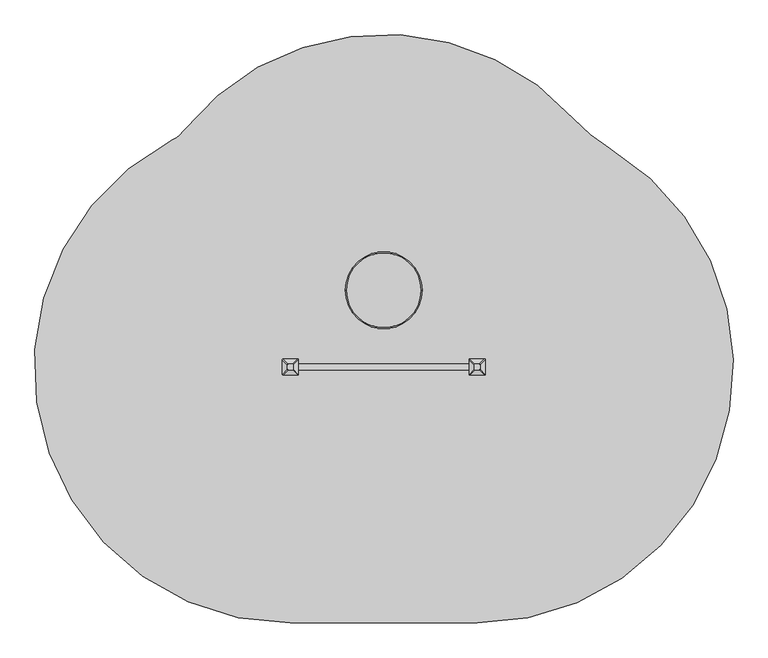
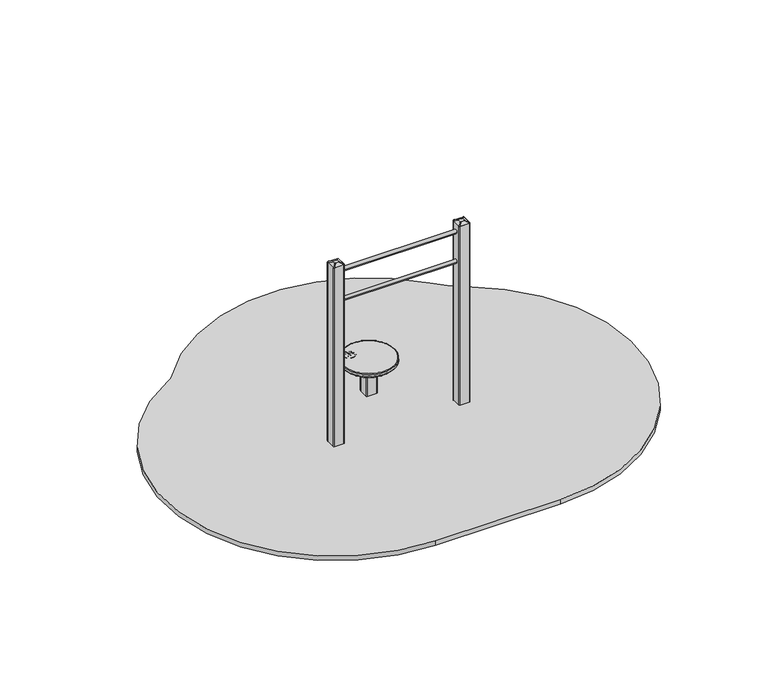
"""IFC4 building model written with IfcOpenShell, lengths in millimetres: furniture geometry."""

from ifc_helpers import new_model, si_unit, point, frame, frame_2d, origin, place, context, project, spatial, polyline, circle_curve, ellipse_curve, trimmed, segment, composite_curve, outline, extrude, source, transform, mapped, element, save
from ifc_brep_helpers import plane_surface, cylinder_surface, revolved_surface, extruded_surface, advanced_brep


def furniture_5f6d707c(model_context):
    return source(origin(), model_context, "Body", "SolidModel", [
        advanced_brep(
        [(-225.0, 655.0, 315.0838662), (225.0, 655.0, 315.0838662), (225.0, 655.0, 295.0838662), (-225.0, 655.0, 295.0838662), (-220.0, 655.0, 320.0838662), (220.0, 655.0, 320.0838662), (220.0, 655.0, 290.0838662), (-220.0, 655.0, 290.0838662)],
        [
            (0, 1, circle_curve(frame((0.0, 655.0, 315.0838662), z_axis=(0.0, 0.0, -1.0), x_axis=(1.0, 0.0, 0.0)), 225.0)),
            (1, 2),
            (2, 3, circle_curve(frame((0.0, 655.0, 295.0838662), z_axis=(0.0, 0.0, 1.0), x_axis=(1.0, 0.0, 0.0)), 225.0)),
            (3, 0),
            (1, 0, circle_curve(frame((0.0, 655.0, 315.0838662), z_axis=(0.0, 0.0, -1.0), x_axis=(1.0, 0.0, 0.0)), 225.0)),
            (3, 2, circle_curve(frame((0.0, 655.0, 295.0838662), z_axis=(0.0, 0.0, 1.0), x_axis=(1.0, 0.0, 0.0)), 225.0)),
            (0, 4, circle_curve(frame((-220.0, 655.0, 315.0838662), z_axis=(0.0, 1.0, 0.0), x_axis=(1.0, 0.0, 0.0)), 5.0)),
            (4, 5, circle_curve(frame((0.0, 655.0, 320.0838662), z_axis=(0.0, 0.0, -1.0), x_axis=(1.0, 0.0, 0.0)), 220.0)),
            (5, 1, circle_curve(frame((220.0, 655.0, 315.0838662), z_axis=(0.0, 1.0, 0.0), x_axis=(-1.0, 0.0, 0.0)), 5.0)),
            (5, 4, circle_curve(frame((0.0, 655.0, 320.0838662), z_axis=(0.0, 0.0, -1.0), x_axis=(1.0, 0.0, 0.0)), 220.0)),
            (2, 6, circle_curve(frame((220.0, 655.0, 295.0838662), z_axis=(0.0, 1.0, 0.0), x_axis=(-1.0, 0.0, 0.0)), 5.0)),
            (6, 7, circle_curve(frame((0.0, 655.0, 290.0838662), z_axis=(0.0, 0.0, 1.0), x_axis=(1.0, 0.0, 0.0)), 220.0)),
            (7, 3, circle_curve(frame((-220.0, 655.0, 295.0838662), z_axis=(0.0, 1.0, 0.0), x_axis=(1.0, 0.0, 0.0)), 5.0)),
            (7, 6, circle_curve(frame((0.0, 655.0, 290.0838662), z_axis=(0.0, 0.0, 1.0), x_axis=(1.0, 0.0, 0.0)), 220.0)),
        ],
        [
            cylinder_surface(frame((0.0, 655.0, 56.2727241), z_axis=(0.0, 0.0, 1.0), x_axis=(1.0, 0.0, 0.0)), 225.0),
            revolved_surface(trimmed(ellipse_curve(frame((220.0, 655.0, 315.0838662), z_axis=(0.0, -1.0, 0.0), x_axis=(-1.0, 0.0, 0.0)), 5.0, 5.0), [point((225.0, 655.0, 315.0838662))], [point((220.0, 655.0, 320.0838662))], True, "CARTESIAN"), (0.0, 655.0, 56.2727241), (0.0, 0.0, 1.0)),
            revolved_surface(trimmed(ellipse_curve(frame((220.0, 655.0, 295.0838662), z_axis=(0.0, -1.0, 0.0), x_axis=(-1.0, 0.0, 0.0)), 5.0, 5.0), [point((220.0, 655.0, 290.0838662))], [point((225.0, 655.0, 295.0838662))], True, "CARTESIAN"), (0.0, 655.0, 56.2727241), (0.0, 0.0, 1.0)),
            plane_surface(frame((220.0, 655.0, 320.0838662), z_axis=(0.0, 0.0, 1.0), x_axis=(0.0, 1.0, 0.0))),
            plane_surface(frame((220.0, 655.0, 290.0838662), z_axis=(0.0, 0.0, -1.0), x_axis=(0.0, -1.0, 0.0))),
        ],
        [
            (0, [[1, 2, 3, 4]]),
            (0, [[-2, 5, -4, 6]]),
            (1, [[-1, 7, 8, 9]]),
            (1, [[-5, -9, 10, -7]]),
            (2, [[-3, 11, 12, 13]]),
            (2, [[-6, -13, 14, -11]]),
            (3, [[-8, -10]]),
            (4, [[-12, -14]]),
        ],
    ),
        extrude(outline(composite_curve([segment(trimmed(circle_curve(frame_2d((-109.945789, 765.9640076)), 57.5047727), [point((-167.4505617, 765.9640076))], [point((-52.4410163, 765.9640076))], False, "CARTESIAN"), True, "CONTINUOUS"), segment(trimmed(circle_curve(frame_2d((-109.945789, 765.9640076)), 57.5047727), [point((-52.4410163, 765.9640076))], [point((-167.4505617, 765.9640076))], False, "CARTESIAN"), True, "CONTINUOUS")], self_intersect=False), holes=[composite_curve([segment(trimmed(circle_curve(frame_2d((-128.3138267, 780.3419659)), 0.4540453), [point((-127.9437797, 780.6050673))], [point((-128.3138267, 779.8879206))], False, "CARTESIAN"), True, "CONTINUOUS"), segment(polyline([(-128.3138267, 779.8879206), (-144.7091929, 779.8879206)]), True, "CONTINUOUS"), segment(trimmed(circle_curve(frame_2d((-144.7091929, 775.1179024)), 4.7700182), [point((-144.7091929, 779.8879206))], [point((-144.7091929, 770.3478842))], True, "CARTESIAN"), True, "CONTINUOUS"), segment(polyline([(-144.7091929, 770.3478842), (-135.5327662, 770.3478842)]), True, "CONTINUOUS"), segment(trimmed(circle_curve(frame_2d((-135.5327662, 766.6555765)), 3.6923077), [point((-135.5327662, 770.3478842))], [point((-132.0631319, 765.3927329))], False, "CARTESIAN"), True, "CONTINUOUS"), segment(polyline([(-132.0631319, 765.3927329), (-139.1805561, 745.8377707)]), True, "CONTINUOUS"), segment(trimmed(circle_curve(frame_2d((-133.5869898, 746.2870818)), 5.611583), [point((-139.1805561, 745.8377707))], [point((-128.3138267, 744.3678074))], True, "CARTESIAN"), True, "CONTINUOUS"), segment(polyline([(-128.3138267, 744.3678074), (-125.0241589, 753.4060953)]), True, "CONTINUOUS"), segment(trimmed(circle_curve(frame_2d((-122.7753651, 752.5876013)), 2.3931164), [point((-125.0241589, 753.4060953))], [point((-120.5265713, 753.4060953))], False, "CARTESIAN"), True, "CONTINUOUS"), segment(polyline([(-120.5265713, 753.4060953), (-117.2369036, 744.3678074)]), True, "CONTINUOUS"), segment(trimmed(circle_curve(frame_2d((-111.9637405, 746.2870818)), 5.611583), [point((-117.2369036, 744.3678074))], [point((-106.3701742, 745.8377707))], True, "CARTESIAN"), True, "CONTINUOUS"), segment(polyline([(-106.3701742, 745.8377707), (-113.4875984, 765.3927329)]), True, "CONTINUOUS"), segment(trimmed(circle_curve(frame_2d((-110.0179641, 766.6555765)), 3.6923077), [point((-113.4875984, 765.3927329))], [point((-110.0179641, 770.3478842))], False, "CARTESIAN"), True, "CONTINUOUS"), segment(polyline([(-110.0179641, 770.3478842), (-100.8415374, 770.3478842)]), True, "CONTINUOUS"), segment(trimmed(circle_curve(frame_2d((-95.1870348, 777.807878)), 9.3608176), [point((-100.8415374, 770.3478842))], [point((-104.3138267, 779.8879206))], False, "CARTESIAN"), True, "CONTINUOUS"), segment(polyline([(-104.3138267, 779.8879206), (-117.2369036, 779.8879206)]), True, "CONTINUOUS"), segment(trimmed(circle_curve(frame_2d((-117.2369036, 780.5008204)), 0.6128997), [point((-117.2369036, 779.8879206))], [point((-117.7684156, 780.8060107))], False, "CARTESIAN"), True, "CONTINUOUS"), segment(trimmed(circle_curve(frame_2d((-123.0503583, 790.5425042)), 11.0769231), [point((-117.7684156, 780.8060107))], [point((-127.9437797, 780.6050673))], True, "CARTESIAN"), True, "CONTINUOUS")], self_intersect=False), composite_curve([segment(trimmed(circle_curve(frame_2d((-96.6356807, 770.6730779)), 1.0108717), [point((-95.8884051, 771.3538427))], [point((-96.5143941, 769.6695087))], False, "CARTESIAN"), True, "CONTINUOUS"), segment(polyline([(-96.5143941, 769.6695087), (-109.1313316, 769.6695087)]), True, "CONTINUOUS"), segment(trimmed(circle_curve(frame_2d((-106.4880266, 765.054124)), 5.318725), [point((-109.1313316, 769.6695087))], [point((-109.1313316, 760.4387394))], True, "CARTESIAN"), True, "CONTINUOUS"), segment(polyline([(-109.1313316, 760.4387394), (-98.0544085, 760.4387394), (-106.2628919, 737.8861165)]), True, "CONTINUOUS"), segment(trimmed(circle_curve(frame_2d((-93.9418916, 757.6601945)), 23.2985238), [point((-106.2628919, 737.8861165))], [point((-90.6697931, 734.5925856))], True, "CARTESIAN"), True, "CONTINUOUS"), segment(trimmed(circle_curve(frame_2d((-87.3976946, 757.6601945)), 23.2985238), [point((-90.6697931, 734.5925856))], [point((-75.0766943, 737.8861165))], True, "CARTESIAN"), True, "CONTINUOUS"), segment(polyline([(-75.0766943, 737.8861165), (-83.2851777, 760.4387394), (-72.2082546, 760.4387394)]), True, "CONTINUOUS"), segment(trimmed(circle_curve(frame_2d((-74.8515595, 765.054124)), 5.318725), [point((-72.2082546, 760.4387394))], [point((-72.2082546, 769.6695087))], True, "CARTESIAN"), True, "CONTINUOUS"), segment(polyline([(-72.2082546, 769.6695087), (-86.7183206, 769.6695087)]), True, "CONTINUOUS"), segment(trimmed(circle_curve(frame_2d((-86.2247816, 770.2877508)), 0.7910778), [point((-86.7183206, 769.6695087))], [point((-86.7183206, 770.9059929))], False, "CARTESIAN"), True, "CONTINUOUS"), segment(trimmed(circle_curve(frame_2d((-90.8116144, 781.1988628)), 11.0769231), [point((-86.7183206, 770.9059929))], [point((-95.8884051, 771.3538427))], True, "CARTESIAN"), True, "CONTINUOUS")], self_intersect=False)]), frame((0.0, 0.0, 319.0838662), z_axis=(0.0, 0.0, 1.0), x_axis=(1.0, 0.0, 0.0)), (0.0, 0.0, 1.0), 1.0),
        extrude(outline(composite_curve([segment(trimmed(circle_curve(frame_2d((42.5, 612.5)), 5.0), [point((47.5, 612.5))], [point((42.5, 607.5))], False, "CARTESIAN"), True, "CONTINUOUS"), segment(polyline([(42.5, 607.5), (-42.5, 607.5)]), True, "CONTINUOUS"), segment(trimmed(circle_curve(frame_2d((-42.5, 612.5)), 5.0), [point((-42.5, 607.5))], [point((-47.5, 612.5))], False, "CARTESIAN"), True, "CONTINUOUS"), segment(polyline([(-47.5, 612.5), (-47.5, 697.5)]), True, "CONTINUOUS"), segment(trimmed(circle_curve(frame_2d((-42.5, 697.5)), 5.0), [point((-47.5, 697.5))], [point((-42.5, 702.5))], False, "CARTESIAN"), True, "CONTINUOUS"), segment(polyline([(-42.5, 702.5), (42.5, 702.5)]), True, "CONTINUOUS"), segment(trimmed(circle_curve(frame_2d((42.5, 697.5)), 5.0), [point((42.5, 702.5))], [point((47.5, 697.5))], False, "CARTESIAN"), True, "CONTINUOUS"), segment(polyline([(47.5, 697.5), (47.5, 612.5)]), True, "CONTINUOUS")], self_intersect=False)), frame((0.0, 0.0, -600.0), z_axis=(0.0, 0.0, 1.0), x_axis=(1.0, 0.0, 0.0)), (0.0, 0.0, 1.0), 500.0),
        advanced_brep(
        [(90.0, 805.0, -600.0), (150.0, 745.0, -600.0), (150.0, 565.0, -600.0), (90.0, 505.0, -600.0), (-90.0, 505.0, -600.0), (-150.0, 565.0, -600.0), (-150.0, 745.0, -600.0), (-90.0, 805.0, -600.0), (-90.0, 805.0, -460.0), (90.0, 805.0, -460.0), (-150.0, 565.0, -460.0), (-150.0, 745.0, -460.0), (90.0, 505.0, -460.0), (-90.0, 505.0, -460.0), (150.0, 745.0, -460.0), (150.0, 565.0, -460.0), (-12.2959549, 727.6989403, -250.0), (-72.2959549, 667.6989403, -250.0), (-72.2959549, 642.3010597, -250.0), (-12.2959549, 582.3010597, -250.0), (12.2959549, 582.3010597, -250.0), (72.2959549, 642.3010597, -250.0), (72.2959549, 667.6989403, -250.0), (12.2959549, 727.6989403, -250.0)],
        [
            (0, 1, circle_curve(frame((90.0, 745.0, -600.0), z_axis=(0.0, 0.0, -1.0), x_axis=(1.0, 0.0, 0.0)), 60.0)),
            (1, 2),
            (2, 3, circle_curve(frame((90.0, 565.0, -600.0), z_axis=(0.0, 0.0, -1.0), x_axis=(1.0, 0.0, 0.0)), 60.0)),
            (3, 4),
            (4, 5, circle_curve(frame((-90.0, 565.0, -600.0), z_axis=(0.0, 0.0, -1.0), x_axis=(1.0, 0.0, 0.0)), 60.0)),
            (5, 6),
            (6, 7, circle_curve(frame((-90.0, 745.0, -600.0), z_axis=(0.0, 0.0, -1.0), x_axis=(1.0, 0.0, 0.0)), 60.0)),
            (7, 0),
            (7, 8),
            (8, 9),
            (9, 0),
            (5, 10),
            (10, 11),
            (11, 6),
            (3, 12),
            (12, 13),
            (13, 4),
            (1, 14),
            (14, 15),
            (15, 2),
            (16, 17, circle_curve(frame((-12.2959549, 667.6989403, -250.0), z_axis=(0.0, 0.0, 1.0), x_axis=(1.0, 0.0, 0.0)), 60.0)),
            (17, 18),
            (18, 19, circle_curve(frame((-12.2959549, 642.3010597, -250.0), z_axis=(0.0, 0.0, 1.0), x_axis=(1.0, 0.0, 0.0)), 60.0)),
            (19, 20),
            (20, 21, circle_curve(frame((12.2959549, 642.3010597, -250.0), z_axis=(0.0, 0.0, 1.0), x_axis=(1.0, 0.0, 0.0)), 60.0)),
            (21, 22),
            (22, 23, circle_curve(frame((12.2959549, 667.6989403, -250.0), z_axis=(0.0, 0.0, 1.0), x_axis=(1.0, 0.0, 0.0)), 60.0)),
            (23, 16),
            (17, 11),
            (10, 18),
            (19, 13),
            (12, 20),
            (21, 15),
            (14, 22),
            (23, 9),
            (8, 16),
            (11, 8, circle_curve(frame((-90.0, 745.0, -460.0), z_axis=(0.0, 0.0, -1.0), x_axis=(1.0, 0.0, 0.0)), 60.0)),
            (13, 10, circle_curve(frame((-90.0, 565.0, -460.0), z_axis=(0.0, 0.0, -1.0), x_axis=(1.0, 0.0, 0.0)), 60.0)),
            (15, 12, circle_curve(frame((90.0, 565.0, -460.0), z_axis=(0.0, 0.0, -1.0), x_axis=(1.0, 0.0, 0.0)), 60.0)),
            (9, 14, circle_curve(frame((90.0, 745.0, -460.0), z_axis=(0.0, 0.0, -1.0), x_axis=(1.0, 0.0, 0.0)), 60.0)),
        ],
        [
            plane_surface(frame((-176.6329682, 805.0, -600.0), z_axis=(0.0, 0.0, -1.0), x_axis=(1.0, 0.0, 0.0))),
            plane_surface(frame((90.0, 805.0, -460.0), z_axis=(0.0, 1.0, 0.0), x_axis=(0.0, 0.0, -1.0))),
            plane_surface(frame((-150.0, 745.0, -460.0), z_axis=(-1.0, 0.0, 0.0), x_axis=(0.0, 0.0, -1.0))),
            plane_surface(frame((-90.0, 505.0, -460.0), z_axis=(0.0, -1.0, 0.0), x_axis=(0.0, 0.0, -1.0))),
            plane_surface(frame((150.0, 565.0, -460.0), z_axis=(1.0, 0.0, 0.0), x_axis=(0.0, 0.0, -1.0))),
            plane_surface(frame((0.0, 655.0, -250.0), z_axis=(0.0, 0.0, 1.0), x_axis=(-1.0, 0.0, 0.0))),
            plane_surface(frame((-150.0, 655.0, -460.0), z_axis=(-0.9378559633153523, 0.0, 0.3470247715564883), x_axis=(0.0, -1.0, 0.0))),
            plane_surface(frame((0.0, 505.0, -460.0), z_axis=(0.0, -0.9384407279810882, 0.3454402988452927), x_axis=(1.0, 0.0, 0.0))),
            plane_surface(frame((150.0, 655.0, -460.0), z_axis=(0.9378559633153524, 0.0, 0.34702477155648764), x_axis=(0.0, 1.0, 0.0))),
            plane_surface(frame((0.0, 805.0, -460.0), z_axis=(0.0, 0.9384407279810884, 0.3454402988452924), x_axis=(-1.0, 0.0, 0.0))),
            cylinder_surface(frame((-90.0, 745.0, -600.0), z_axis=(0.0, 0.0, 1.0), x_axis=(1.0, 0.0, 0.0)), 60.0),
            cylinder_surface(frame((-90.0, 565.0, -600.0), z_axis=(0.0, 0.0, 1.0), x_axis=(1.0, 0.0, 0.0)), 60.0),
            cylinder_surface(frame((90.0, 565.0, -600.0), z_axis=(0.0, 0.0, 1.0), x_axis=(1.0, 0.0, 0.0)), 60.0),
            cylinder_surface(frame((90.0, 745.0, -600.0), z_axis=(0.0, 0.0, 1.0), x_axis=(1.0, 0.0, 0.0)), 60.0),
            extruded_surface(trimmed(circle_curve(frame((-90.0, 745.0, -460.0), z_axis=(0.0, 0.0, 1.0), x_axis=(1.0, 0.0, 0.0)), 60.0), [point((-90.0, 805.0, -460.0))], [point((-150.0, 745.0, -460.0))], True, "CARTESIAN"), (77.7040451, -77.3010597, 210.0), 236.8826132404947),
            extruded_surface(trimmed(circle_curve(frame((90.0, 745.0, -460.0), z_axis=(0.0, 0.0, 1.0), x_axis=(1.0, 0.0, 0.0)), 60.0), [point((150.0, 745.0, -460.0))], [point((90.0, 805.0, -460.0))], True, "CARTESIAN"), (-77.7040451, -77.3010597, 210.0), 236.8826132404947),
            extruded_surface(trimmed(circle_curve(frame((-90.0, 565.0, -460.0), z_axis=(0.0, 0.0, 1.0), x_axis=(1.0, 0.0, 0.0)), 60.0), [point((-150.0, 565.0, -460.0))], [point((-90.0, 505.0, -460.0))], True, "CARTESIAN"), (77.7040451, 77.3010597, 210.0), 236.8826132404947),
            extruded_surface(trimmed(circle_curve(frame((90.0, 565.0, -460.0), z_axis=(0.0, 0.0, 1.0), x_axis=(1.0, 0.0, 0.0)), 60.0), [point((90.0, 505.0, -460.0))], [point((150.0, 565.0, -460.0))], True, "CARTESIAN"), (-77.7040451, 77.3010597, 210.0), 236.8826132404947),
        ],
        [
            (0, [[1, 2, 3, 4, 5, 6, 7, 8]]),
            (1, [[-8, 9, 10, 11]]),
            (2, [[-6, 12, 13, 14]]),
            (3, [[-4, 15, 16, 17]]),
            (4, [[-2, 18, 19, 20]]),
            (5, [[21, 22, 23, 24, 25, 26, 27, 28]]),
            (6, [[-22, 29, -13, 30]]),
            (7, [[-24, 31, -16, 32]]),
            (8, [[-26, 33, -19, 34]]),
            (9, [[-28, 35, -10, 36]]),
            (10, [[-7, -14, 37, -9]]),
            (11, [[-5, -17, 38, -12]]),
            (12, [[-3, -20, 39, -15]]),
            (13, [[-1, -11, 40, -18]]),
            (14, [[-21, -36, -37, -29]]),
            (15, [[-27, -34, -40, -35]]),
            (16, [[-23, -30, -38, -31]]),
            (17, [[-25, -32, -39, -33]]),
        ],
    ),
        advanced_brep(
        [(564.5, 192.5, 1665.0), (564.5, 217.5, 1665.0), (559.5, 222.5, 1665.0), (534.5, 222.5, 1665.0), (529.5, 217.5, 1665.0), (529.5, 192.5, 1665.0), (534.5, 187.5, 1665.0), (559.5, 187.5, 1665.0), (594.5, 162.5, 1650.0), (589.5, 157.5, 1650.0), (504.5, 157.5, 1650.0), (499.5, 162.5, 1650.0), (499.5, 247.5, 1650.0), (504.5, 252.5, 1650.0), (589.5, 252.5, 1650.0), (594.5, 247.5, 1650.0)],
        [
            (0, 1),
            (1, 2, circle_curve(frame((559.5, 217.5, 1665.0), z_axis=(0.0, 0.0, 1.0), x_axis=(1.0, 0.0, 0.0)), 5.0)),
            (2, 3),
            (3, 4, circle_curve(frame((534.5, 217.5, 1665.0), z_axis=(0.0, 0.0, 1.0), x_axis=(1.0, 0.0, 0.0)), 5.0)),
            (4, 5),
            (5, 6, circle_curve(frame((534.5, 192.5, 1665.0), z_axis=(0.0, 0.0, 1.0), x_axis=(1.0, 0.0, 0.0)), 5.0)),
            (6, 7),
            (7, 0, circle_curve(frame((559.5, 192.5, 1665.0), z_axis=(0.0, 0.0, 1.0), x_axis=(1.0, 0.0, 0.0)), 5.0)),
            (8, 9, circle_curve(frame((589.5, 162.5, 1650.0), z_axis=(0.0, 0.0, -1.0), x_axis=(1.0, 0.0, 0.0)), 5.0)),
            (9, 10),
            (10, 11, circle_curve(frame((504.5, 162.5, 1650.0), z_axis=(0.0, 0.0, -1.0), x_axis=(1.0, 0.0, 0.0)), 5.0)),
            (11, 12),
            (12, 13, circle_curve(frame((504.5, 247.5, 1650.0), z_axis=(0.0, 0.0, -1.0), x_axis=(1.0, 0.0, 0.0)), 5.0)),
            (13, 14),
            (14, 15, circle_curve(frame((589.5, 247.5, 1650.0), z_axis=(0.0, 0.0, -1.0), x_axis=(1.0, 0.0, 0.0)), 5.0)),
            (15, 8),
            (15, 1),
            (0, 8),
            (14, 2),
            (13, 3),
            (12, 4),
            (11, 5),
            (10, 6),
            (9, 7),
        ],
        [
            plane_surface(frame((547.0, 205.0, 1665.0), z_axis=(0.0, 0.0, 1.0), x_axis=(-1.0, 0.0, 0.0))),
            plane_surface(frame((547.0, 205.0, 1650.0), z_axis=(0.0, 0.0, -1.0), x_axis=(-1.0, 0.0, 0.0))),
            plane_surface(frame((594.5, 205.0, 1650.0), z_axis=(0.447213595499958, 0.0, 0.894427190999916), x_axis=(0.0, 1.0, 0.0))),
            extruded_surface(trimmed(circle_curve(frame((589.5, 247.5, 1650.0), z_axis=(0.0, 0.0, 1.0), x_axis=(1.0, 0.0, 0.0)), 5.0), [point((594.5, 247.5, 1650.0))], [point((589.5, 252.5, 1650.0))], True, "CARTESIAN"), (-30.0, -30.0, 15.0), 45.0),
            plane_surface(frame((547.0, 252.5, 1650.0), z_axis=(0.0, 0.447213595499958, 0.894427190999916), x_axis=(-1.0, 0.0, 0.0))),
            extruded_surface(trimmed(circle_curve(frame((504.5, 247.5, 1650.0), z_axis=(0.0, 0.0, 1.0), x_axis=(1.0, 0.0, 0.0)), 5.0), [point((504.5, 252.5, 1650.0))], [point((499.5, 247.5, 1650.0))], True, "CARTESIAN"), (30.0, -30.0, 15.0), 45.0),
            plane_surface(frame((499.5, 205.0, 1650.0), z_axis=(-0.447213595499958, 0.0, 0.894427190999916), x_axis=(0.0, -1.0, 0.0))),
            extruded_surface(trimmed(circle_curve(frame((504.5, 162.5, 1650.0), z_axis=(0.0, 0.0, 1.0), x_axis=(1.0, 0.0, 0.0)), 5.0), [point((499.5, 162.5, 1650.0))], [point((504.5, 157.5, 1650.0))], True, "CARTESIAN"), (30.0, 30.0, 15.0), 45.0),
            plane_surface(frame((547.0, 157.5, 1650.0), z_axis=(0.0, -0.447213595499958, 0.894427190999916), x_axis=(1.0, 0.0, 0.0))),
            extruded_surface(trimmed(circle_curve(frame((589.5, 162.5, 1650.0), z_axis=(0.0, 0.0, 1.0), x_axis=(1.0, 0.0, 0.0)), 5.0), [point((589.5, 157.5, 1650.0))], [point((594.5, 162.5, 1650.0))], True, "CARTESIAN"), (-30.0, 30.0, 15.0), 45.0),
        ],
        [
            (0, [[1, 2, 3, 4, 5, 6, 7, 8]]),
            (1, [[9, 10, 11, 12, 13, 14, 15, 16]]),
            (2, [[-16, 17, -1, 18]]),
            (3, [[-15, 19, -2, -17]]),
            (4, [[-14, 20, -3, -19]]),
            (5, [[-13, 21, -4, -20]]),
            (6, [[-12, 22, -5, -21]]),
            (7, [[-11, 23, -6, -22]]),
            (8, [[-10, 24, -7, -23]]),
            (9, [[-9, -18, -8, -24]]),
        ],
    ),
        advanced_brep(
        [(-529.5, 192.5, 1665.0), (-529.5, 217.5, 1665.0), (-534.5, 222.5, 1665.0), (-559.5, 222.5, 1665.0), (-564.5, 217.5, 1665.0), (-564.5, 192.5, 1665.0), (-559.5, 187.5, 1665.0), (-534.5, 187.5, 1665.0), (-499.5, 162.5, 1650.0), (-504.5, 157.5, 1650.0), (-589.5, 157.5, 1650.0), (-594.5, 162.5, 1650.0), (-594.5, 247.5, 1650.0), (-589.5, 252.5, 1650.0), (-504.5, 252.5, 1650.0), (-499.5, 247.5, 1650.0)],
        [
            (0, 1),
            (1, 2, circle_curve(frame((-534.5, 217.5, 1665.0), z_axis=(0.0, 0.0, 1.0), x_axis=(1.0, 0.0, 0.0)), 5.0)),
            (2, 3),
            (3, 4, circle_curve(frame((-559.5, 217.5, 1665.0), z_axis=(0.0, 0.0, 1.0), x_axis=(1.0, 0.0, 0.0)), 5.0)),
            (4, 5),
            (5, 6, circle_curve(frame((-559.5, 192.5, 1665.0), z_axis=(0.0, 0.0, 1.0), x_axis=(1.0, 0.0, 0.0)), 5.0)),
            (6, 7),
            (7, 0, circle_curve(frame((-534.5, 192.5, 1665.0), z_axis=(0.0, 0.0, 1.0), x_axis=(1.0, 0.0, 0.0)), 5.0)),
            (8, 9, circle_curve(frame((-504.5, 162.5, 1650.0), z_axis=(0.0, 0.0, -1.0), x_axis=(1.0, 0.0, 0.0)), 5.0)),
            (9, 10),
            (10, 11, circle_curve(frame((-589.5, 162.5, 1650.0), z_axis=(0.0, 0.0, -1.0), x_axis=(1.0, 0.0, 0.0)), 5.0)),
            (11, 12),
            (12, 13, circle_curve(frame((-589.5, 247.5, 1650.0), z_axis=(0.0, 0.0, -1.0), x_axis=(1.0, 0.0, 0.0)), 5.0)),
            (13, 14),
            (14, 15, circle_curve(frame((-504.5, 247.5, 1650.0), z_axis=(0.0, 0.0, -1.0), x_axis=(1.0, 0.0, 0.0)), 5.0)),
            (15, 8),
            (15, 1),
            (0, 8),
            (14, 2),
            (13, 3),
            (12, 4),
            (11, 5),
            (10, 6),
            (9, 7),
        ],
        [
            plane_surface(frame((-547.0, 205.0, 1665.0), z_axis=(0.0, 0.0, 1.0), x_axis=(-1.0, 0.0, 0.0))),
            plane_surface(frame((-547.0, 205.0, 1650.0), z_axis=(0.0, 0.0, -1.0), x_axis=(-1.0, 0.0, 0.0))),
            plane_surface(frame((-499.5, 205.0, 1650.0), z_axis=(0.447213595499958, 0.0, 0.894427190999916), x_axis=(0.0, 1.0, 0.0))),
            extruded_surface(trimmed(circle_curve(frame((-504.5, 247.5, 1650.0), z_axis=(0.0, 0.0, 1.0), x_axis=(1.0, 0.0, 0.0)), 5.0), [point((-499.5, 247.5, 1650.0))], [point((-504.5, 252.5, 1650.0))], True, "CARTESIAN"), (-30.0, -30.0, 15.0), 45.0),
            plane_surface(frame((-547.0, 252.5, 1650.0), z_axis=(0.0, 0.447213595499958, 0.894427190999916), x_axis=(-1.0, 0.0, 0.0))),
            extruded_surface(trimmed(circle_curve(frame((-589.5, 247.5, 1650.0), z_axis=(0.0, 0.0, 1.0), x_axis=(1.0, 0.0, 0.0)), 5.0), [point((-589.5, 252.5, 1650.0))], [point((-594.5, 247.5, 1650.0))], True, "CARTESIAN"), (30.0, -30.0, 15.0), 45.0),
            plane_surface(frame((-594.5, 205.0, 1650.0), z_axis=(-0.447213595499958, 0.0, 0.894427190999916), x_axis=(0.0, -1.0, 0.0))),
            extruded_surface(trimmed(circle_curve(frame((-589.5, 162.5, 1650.0), z_axis=(0.0, 0.0, 1.0), x_axis=(1.0, 0.0, 0.0)), 5.0), [point((-594.5, 162.5, 1650.0))], [point((-589.5, 157.5, 1650.0))], True, "CARTESIAN"), (30.0, 30.0, 15.0), 45.0),
            plane_surface(frame((-547.0, 157.5, 1650.0), z_axis=(0.0, -0.447213595499958, 0.894427190999916), x_axis=(1.0, 0.0, 0.0))),
            extruded_surface(trimmed(circle_curve(frame((-504.5, 162.5, 1650.0), z_axis=(0.0, 0.0, 1.0), x_axis=(1.0, 0.0, 0.0)), 5.0), [point((-504.5, 157.5, 1650.0))], [point((-499.5, 162.5, 1650.0))], True, "CARTESIAN"), (-30.0, 30.0, 15.0), 45.0),
        ],
        [
            (0, [[1, 2, 3, 4, 5, 6, 7, 8]]),
            (1, [[9, 10, 11, 12, 13, 14, 15, 16]]),
            (2, [[-16, 17, -1, 18]]),
            (3, [[-15, 19, -2, -17]]),
            (4, [[-14, 20, -3, -19]]),
            (5, [[-13, 21, -4, -20]]),
            (6, [[-12, 22, -5, -21]]),
            (7, [[-11, 23, -6, -22]]),
            (8, [[-10, 24, -7, -23]]),
            (9, [[-9, -18, -8, -24]]),
        ],
    ),
        extrude(outline(composite_curve([segment(trimmed(circle_curve(frame_2d((590.0, 162.5)), 5.0), [point((595.0, 162.5))], [point((590.0, 157.5))], False, "CARTESIAN"), True, "CONTINUOUS"), segment(polyline([(590.0, 157.5), (505.0, 157.5)]), True, "CONTINUOUS"), segment(trimmed(circle_curve(frame_2d((505.0, 162.5)), 5.0), [point((505.0, 157.5))], [point((500.0, 162.5))], False, "CARTESIAN"), True, "CONTINUOUS"), segment(polyline([(500.0, 162.5), (500.0, 247.5)]), True, "CONTINUOUS"), segment(trimmed(circle_curve(frame_2d((505.0, 247.5)), 5.0), [point((500.0, 247.5))], [point((505.0, 252.5))], False, "CARTESIAN"), True, "CONTINUOUS"), segment(polyline([(505.0, 252.5), (590.0, 252.5)]), True, "CONTINUOUS"), segment(trimmed(circle_curve(frame_2d((590.0, 247.5)), 5.0), [point((590.0, 252.5))], [point((595.0, 247.5))], False, "CARTESIAN"), True, "CONTINUOUS"), segment(polyline([(595.0, 247.5), (595.0, 162.5)]), True, "CONTINUOUS")], self_intersect=False)), frame((0.0, 0.0, -600.0), z_axis=(0.0, 0.0, 1.0), x_axis=(1.0, 0.0, 0.0)), (0.0, 0.0, 1.0), 500.0),
        advanced_brep(
        [(637.5, 355.0, -600.0), (697.5, 295.0, -600.0), (697.5, 115.0, -600.0), (637.5, 55.0, -600.0), (457.5, 55.0, -600.0), (397.5, 115.0, -600.0), (397.5, 295.0, -600.0), (457.5, 355.0, -600.0), (457.5, 355.0, -460.0), (637.5, 355.0, -460.0), (397.5, 115.0, -460.0), (397.5, 295.0, -460.0), (637.5, 55.0, -460.0), (457.5, 55.0, -460.0), (697.5, 295.0, -460.0), (697.5, 115.0, -460.0), (535.2040451, 277.6989403, -250.0), (475.2040451, 217.6989403, -250.0), (475.2040451, 192.3010597, -250.0), (535.2040451, 132.3010597, -250.0), (559.7959549, 132.3010597, -250.0), (619.7959549, 192.3010597, -250.0), (619.7959549, 217.6989403, -250.0), (559.7959549, 277.6989403, -250.0)],
        [
            (0, 1, circle_curve(frame((637.5, 295.0, -600.0), z_axis=(0.0, 0.0, -1.0), x_axis=(1.0, 0.0, 0.0)), 60.0)),
            (1, 2),
            (2, 3, circle_curve(frame((637.5, 115.0, -600.0), z_axis=(0.0, 0.0, -1.0), x_axis=(1.0, 0.0, 0.0)), 60.0)),
            (3, 4),
            (4, 5, circle_curve(frame((457.5, 115.0, -600.0), z_axis=(0.0, 0.0, -1.0), x_axis=(1.0, 0.0, 0.0)), 60.0)),
            (5, 6),
            (6, 7, circle_curve(frame((457.5, 295.0, -600.0), z_axis=(0.0, 0.0, -1.0), x_axis=(1.0, 0.0, 0.0)), 60.0)),
            (7, 0),
            (7, 8),
            (8, 9),
            (9, 0),
            (5, 10),
            (10, 11),
            (11, 6),
            (3, 12),
            (12, 13),
            (13, 4),
            (1, 14),
            (14, 15),
            (15, 2),
            (16, 17, circle_curve(frame((535.2040451, 217.6989403, -250.0), z_axis=(0.0, 0.0, 1.0), x_axis=(1.0, 0.0, 0.0)), 60.0)),
            (17, 18),
            (18, 19, circle_curve(frame((535.2040451, 192.3010597, -250.0), z_axis=(0.0, 0.0, 1.0), x_axis=(1.0, 0.0, 0.0)), 60.0)),
            (19, 20),
            (20, 21, circle_curve(frame((559.7959549, 192.3010597, -250.0), z_axis=(0.0, 0.0, 1.0), x_axis=(1.0, 0.0, 0.0)), 60.0)),
            (21, 22),
            (22, 23, circle_curve(frame((559.7959549, 217.6989403, -250.0), z_axis=(0.0, 0.0, 1.0), x_axis=(1.0, 0.0, 0.0)), 60.0)),
            (23, 16),
            (17, 11),
            (10, 18),
            (19, 13),
            (12, 20),
            (21, 15),
            (14, 22),
            (23, 9),
            (8, 16),
            (11, 8, circle_curve(frame((457.5, 295.0, -460.0), z_axis=(0.0, 0.0, -1.0), x_axis=(1.0, 0.0, 0.0)), 60.0)),
            (13, 10, circle_curve(frame((457.5, 115.0, -460.0), z_axis=(0.0, 0.0, -1.0), x_axis=(1.0, 0.0, 0.0)), 60.0)),
            (15, 12, circle_curve(frame((637.5, 115.0, -460.0), z_axis=(0.0, 0.0, -1.0), x_axis=(1.0, 0.0, 0.0)), 60.0)),
            (9, 14, circle_curve(frame((637.5, 295.0, -460.0), z_axis=(0.0, 0.0, -1.0), x_axis=(1.0, 0.0, 0.0)), 60.0)),
        ],
        [
            plane_surface(frame((370.8670318, 355.0, -600.0), z_axis=(0.0, 0.0, -1.0), x_axis=(1.0, 0.0, 0.0))),
            plane_surface(frame((637.5, 355.0, -460.0), z_axis=(0.0, 1.0, 0.0), x_axis=(0.0, 0.0, -1.0))),
            plane_surface(frame((397.5, 295.0, -460.0), z_axis=(-1.0, 0.0, 0.0), x_axis=(0.0, 0.0, -1.0))),
            plane_surface(frame((457.5, 55.0, -460.0), z_axis=(0.0, -1.0, 0.0), x_axis=(0.0, 0.0, -1.0))),
            plane_surface(frame((697.5, 115.0, -460.0), z_axis=(1.0, 0.0, 0.0), x_axis=(0.0, 0.0, -1.0))),
            plane_surface(frame((547.5, 205.0, -250.0), z_axis=(0.0, 0.0, 1.0), x_axis=(-1.0, 0.0, 0.0))),
            plane_surface(frame((397.5, 205.0, -460.0), z_axis=(-0.9378559633153523, 0.0, 0.3470247715564883), x_axis=(0.0, -1.0, 0.0))),
            plane_surface(frame((547.5, 55.0, -460.0), z_axis=(0.0, -0.9384407279810882, 0.3454402988452927), x_axis=(1.0, 0.0, 0.0))),
            plane_surface(frame((697.5, 205.0, -460.0), z_axis=(0.9378559633153524, 0.0, 0.34702477155648764), x_axis=(0.0, 1.0, 0.0))),
            plane_surface(frame((547.5, 355.0, -460.0), z_axis=(0.0, 0.9384407279810884, 0.3454402988452924), x_axis=(-1.0, 0.0, 0.0))),
            cylinder_surface(frame((457.5, 295.0, -600.0), z_axis=(0.0, 0.0, 1.0), x_axis=(1.0, 0.0, 0.0)), 60.0),
            cylinder_surface(frame((457.5, 115.0, -600.0), z_axis=(0.0, 0.0, 1.0), x_axis=(1.0, 0.0, 0.0)), 60.0),
            cylinder_surface(frame((637.5, 115.0, -600.0), z_axis=(0.0, 0.0, 1.0), x_axis=(1.0, 0.0, 0.0)), 60.0),
            cylinder_surface(frame((637.5, 295.0, -600.0), z_axis=(0.0, 0.0, 1.0), x_axis=(1.0, 0.0, 0.0)), 60.0),
            extruded_surface(trimmed(circle_curve(frame((457.5, 295.0, -460.0), z_axis=(0.0, 0.0, 1.0), x_axis=(1.0, 0.0, 0.0)), 60.0), [point((457.5, 355.0, -460.0))], [point((397.5, 295.0, -460.0))], True, "CARTESIAN"), (77.70404510000003, -77.3010597, 210.0), 236.88261324049472),
            extruded_surface(trimmed(circle_curve(frame((637.5, 295.0, -460.0), z_axis=(0.0, 0.0, 1.0), x_axis=(1.0, 0.0, 0.0)), 60.0), [point((697.5, 295.0, -460.0))], [point((637.5, 355.0, -460.0))], True, "CARTESIAN"), (-77.70404510000003, -77.3010597, 210.0), 236.88261324049472),
            extruded_surface(trimmed(circle_curve(frame((457.5, 115.0, -460.0), z_axis=(0.0, 0.0, 1.0), x_axis=(1.0, 0.0, 0.0)), 60.0), [point((397.5, 115.0, -460.0))], [point((457.5, 55.0, -460.0))], True, "CARTESIAN"), (77.70404510000003, 77.3010597, 210.0), 236.88261324049472),
            extruded_surface(trimmed(circle_curve(frame((637.5, 115.0, -460.0), z_axis=(0.0, 0.0, 1.0), x_axis=(1.0, 0.0, 0.0)), 60.0), [point((637.5, 55.0, -460.0))], [point((697.5, 115.0, -460.0))], True, "CARTESIAN"), (-77.70404510000003, 77.3010597, 210.0), 236.88261324049472),
        ],
        [
            (0, [[1, 2, 3, 4, 5, 6, 7, 8]]),
            (1, [[-8, 9, 10, 11]]),
            (2, [[-6, 12, 13, 14]]),
            (3, [[-4, 15, 16, 17]]),
            (4, [[-2, 18, 19, 20]]),
            (5, [[21, 22, 23, 24, 25, 26, 27, 28]]),
            (6, [[-22, 29, -13, 30]]),
            (7, [[-24, 31, -16, 32]]),
            (8, [[-26, 33, -19, 34]]),
            (9, [[-28, 35, -10, 36]]),
            (10, [[-7, -14, 37, -9]]),
            (11, [[-5, -17, 38, -12]]),
            (12, [[-3, -20, 39, -15]]),
            (13, [[-1, -11, 40, -18]]),
            (14, [[-21, -36, -37, -29]]),
            (15, [[-27, -34, -40, -35]]),
            (16, [[-23, -30, -38, -31]]),
            (17, [[-25, -32, -39, -33]]),
        ],
    ),
        extrude(outline(composite_curve([segment(trimmed(circle_curve(frame_2d((-504.5, 162.5)), 5.0), [point((-499.5, 162.5))], [point((-504.5, 157.5))], False, "CARTESIAN"), True, "CONTINUOUS"), segment(polyline([(-504.5, 157.5), (-589.5, 157.5)]), True, "CONTINUOUS"), segment(trimmed(circle_curve(frame_2d((-589.5, 162.5)), 5.0), [point((-589.5, 157.5))], [point((-594.5, 162.5))], False, "CARTESIAN"), True, "CONTINUOUS"), segment(polyline([(-594.5, 162.5), (-594.5, 247.5)]), True, "CONTINUOUS"), segment(trimmed(circle_curve(frame_2d((-589.5, 247.5)), 5.0), [point((-594.5, 247.5))], [point((-589.5, 252.5))], False, "CARTESIAN"), True, "CONTINUOUS"), segment(polyline([(-589.5, 252.5), (-504.5, 252.5)]), True, "CONTINUOUS"), segment(trimmed(circle_curve(frame_2d((-504.5, 247.5)), 5.0), [point((-504.5, 252.5))], [point((-499.5, 247.5))], False, "CARTESIAN"), True, "CONTINUOUS"), segment(polyline([(-499.5, 247.5), (-499.5, 162.5)]), True, "CONTINUOUS")], self_intersect=False)), frame((0.0, 0.0, -600.0), z_axis=(0.0, 0.0, 1.0), x_axis=(1.0, 0.0, 0.0)), (0.0, 0.0, 1.0), 500.0),
        advanced_brep(
        [(-457.0, 355.0, -600.0), (-397.0, 295.0, -600.0), (-397.0, 115.0, -600.0), (-457.0, 55.0, -600.0), (-637.0, 55.0, -600.0), (-697.0, 115.0, -600.0), (-697.0, 295.0, -600.0), (-637.0, 355.0, -600.0), (-637.0, 355.0, -460.0), (-457.0, 355.0, -460.0), (-697.0, 115.0, -460.0), (-697.0, 295.0, -460.0), (-457.0, 55.0, -460.0), (-637.0, 55.0, -460.0), (-397.0, 295.0, -460.0), (-397.0, 115.0, -460.0), (-559.2959549, 277.6989403, -250.0), (-619.2959549, 217.6989403, -250.0), (-619.2959549, 192.3010597, -250.0), (-559.2959549, 132.3010597, -250.0), (-534.7040451, 132.3010597, -250.0), (-474.7040451, 192.3010597, -250.0), (-474.7040451, 217.6989403, -250.0), (-534.7040451, 277.6989403, -250.0)],
        [
            (0, 1, circle_curve(frame((-457.0, 295.0, -600.0), z_axis=(0.0, 0.0, -1.0), x_axis=(1.0, 0.0, 0.0)), 60.0)),
            (1, 2),
            (2, 3, circle_curve(frame((-457.0, 115.0, -600.0), z_axis=(0.0, 0.0, -1.0), x_axis=(1.0, 0.0, 0.0)), 60.0)),
            (3, 4),
            (4, 5, circle_curve(frame((-637.0, 115.0, -600.0), z_axis=(0.0, 0.0, -1.0), x_axis=(1.0, 0.0, 0.0)), 60.0)),
            (5, 6),
            (6, 7, circle_curve(frame((-637.0, 295.0, -600.0), z_axis=(0.0, 0.0, -1.0), x_axis=(1.0, 0.0, 0.0)), 60.0)),
            (7, 0),
            (7, 8),
            (8, 9),
            (9, 0),
            (5, 10),
            (10, 11),
            (11, 6),
            (3, 12),
            (12, 13),
            (13, 4),
            (1, 14),
            (14, 15),
            (15, 2),
            (16, 17, circle_curve(frame((-559.2959549, 217.6989403, -250.0), z_axis=(0.0, 0.0, 1.0), x_axis=(1.0, 0.0, 0.0)), 60.0)),
            (17, 18),
            (18, 19, circle_curve(frame((-559.2959549, 192.3010597, -250.0), z_axis=(0.0, 0.0, 1.0), x_axis=(1.0, 0.0, 0.0)), 60.0)),
            (19, 20),
            (20, 21, circle_curve(frame((-534.7040451, 192.3010597, -250.0), z_axis=(0.0, 0.0, 1.0), x_axis=(1.0, 0.0, 0.0)), 60.0)),
            (21, 22),
            (22, 23, circle_curve(frame((-534.7040451, 217.6989403, -250.0), z_axis=(0.0, 0.0, 1.0), x_axis=(1.0, 0.0, 0.0)), 60.0)),
            (23, 16),
            (17, 11),
            (10, 18),
            (19, 13),
            (12, 20),
            (21, 15),
            (14, 22),
            (23, 9),
            (8, 16),
            (11, 8, circle_curve(frame((-637.0, 295.0, -460.0), z_axis=(0.0, 0.0, -1.0), x_axis=(1.0, 0.0, 0.0)), 60.0)),
            (13, 10, circle_curve(frame((-637.0, 115.0, -460.0), z_axis=(0.0, 0.0, -1.0), x_axis=(1.0, 0.0, 0.0)), 60.0)),
            (15, 12, circle_curve(frame((-457.0, 115.0, -460.0), z_axis=(0.0, 0.0, -1.0), x_axis=(1.0, 0.0, 0.0)), 60.0)),
            (9, 14, circle_curve(frame((-457.0, 295.0, -460.0), z_axis=(0.0, 0.0, -1.0), x_axis=(1.0, 0.0, 0.0)), 60.0)),
        ],
        [
            plane_surface(frame((-723.6329682, 355.0, -600.0), z_axis=(0.0, 0.0, -1.0), x_axis=(1.0, 0.0, 0.0))),
            plane_surface(frame((-457.0, 355.0, -460.0), z_axis=(0.0, 1.0, 0.0), x_axis=(0.0, 0.0, -1.0))),
            plane_surface(frame((-697.0, 295.0, -460.0), z_axis=(-1.0, 0.0, 0.0), x_axis=(0.0, 0.0, -1.0))),
            plane_surface(frame((-637.0, 55.0, -460.0), z_axis=(0.0, -1.0, 0.0), x_axis=(0.0, 0.0, -1.0))),
            plane_surface(frame((-397.0, 115.0, -460.0), z_axis=(1.0, 0.0, 0.0), x_axis=(0.0, 0.0, -1.0))),
            plane_surface(frame((-547.0, 205.0, -250.0), z_axis=(0.0, 0.0, 1.0), x_axis=(-1.0, 0.0, 0.0))),
            plane_surface(frame((-697.0, 205.0, -460.0), z_axis=(-0.9378559633153523, 0.0, 0.3470247715564883), x_axis=(0.0, -1.0, 0.0))),
            plane_surface(frame((-547.0, 55.0, -460.0), z_axis=(0.0, -0.9384407279810882, 0.3454402988452927), x_axis=(1.0, 0.0, 0.0))),
            plane_surface(frame((-397.0, 205.0, -460.0), z_axis=(0.9378559633153524, 0.0, 0.34702477155648764), x_axis=(0.0, 1.0, 0.0))),
            plane_surface(frame((-547.0, 355.0, -460.0), z_axis=(0.0, 0.9384407279810884, 0.3454402988452924), x_axis=(-1.0, 0.0, 0.0))),
            cylinder_surface(frame((-637.0, 295.0, -600.0), z_axis=(0.0, 0.0, 1.0), x_axis=(1.0, 0.0, 0.0)), 60.0),
            cylinder_surface(frame((-637.0, 115.0, -600.0), z_axis=(0.0, 0.0, 1.0), x_axis=(1.0, 0.0, 0.0)), 60.0),
            cylinder_surface(frame((-457.0, 115.0, -600.0), z_axis=(0.0, 0.0, 1.0), x_axis=(1.0, 0.0, 0.0)), 60.0),
            cylinder_surface(frame((-457.0, 295.0, -600.0), z_axis=(0.0, 0.0, 1.0), x_axis=(1.0, 0.0, 0.0)), 60.0),
            extruded_surface(trimmed(circle_curve(frame((-637.0, 295.0, -460.0), z_axis=(0.0, 0.0, 1.0), x_axis=(1.0, 0.0, 0.0)), 60.0), [point((-637.0, 355.0, -460.0))], [point((-697.0, 295.0, -460.0))], True, "CARTESIAN"), (77.70404510000003, -77.3010597, 210.0), 236.88261324049472),
            extruded_surface(trimmed(circle_curve(frame((-457.0, 295.0, -460.0), z_axis=(0.0, 0.0, 1.0), x_axis=(1.0, 0.0, 0.0)), 60.0), [point((-397.0, 295.0, -460.0))], [point((-457.0, 355.0, -460.0))], True, "CARTESIAN"), (-77.70404510000003, -77.3010597, 210.0), 236.88261324049472),
            extruded_surface(trimmed(circle_curve(frame((-637.0, 115.0, -460.0), z_axis=(0.0, 0.0, 1.0), x_axis=(1.0, 0.0, 0.0)), 60.0), [point((-697.0, 115.0, -460.0))], [point((-637.0, 55.0, -460.0))], True, "CARTESIAN"), (77.70404510000003, 77.3010597, 210.0), 236.88261324049472),
            extruded_surface(trimmed(circle_curve(frame((-457.0, 115.0, -460.0), z_axis=(0.0, 0.0, 1.0), x_axis=(1.0, 0.0, 0.0)), 60.0), [point((-457.0, 55.0, -460.0))], [point((-397.0, 115.0, -460.0))], True, "CARTESIAN"), (-77.70404510000003, 77.3010597, 210.0), 236.88261324049472),
        ],
        [
            (0, [[1, 2, 3, 4, 5, 6, 7, 8]]),
            (1, [[-8, 9, 10, 11]]),
            (2, [[-6, 12, 13, 14]]),
            (3, [[-4, 15, 16, 17]]),
            (4, [[-2, 18, 19, 20]]),
            (5, [[21, 22, 23, 24, 25, 26, 27, 28]]),
            (6, [[-22, 29, -13, 30]]),
            (7, [[-24, 31, -16, 32]]),
            (8, [[-26, 33, -19, 34]]),
            (9, [[-28, 35, -10, 36]]),
            (10, [[-7, -14, 37, -9]]),
            (11, [[-5, -17, 38, -12]]),
            (12, [[-3, -20, 39, -15]]),
            (13, [[-1, -11, 40, -18]]),
            (14, [[-21, -36, -37, -29]]),
            (15, [[-27, -34, -40, -35]]),
            (16, [[-23, -30, -38, -31]]),
            (17, [[-25, -32, -39, -33]]),
        ],
    ),
        extrude(outline(composite_curve([segment(polyline([(-42.5, 702.5), (42.5, 702.5)]), True, "CONTINUOUS"), segment(trimmed(circle_curve(frame_2d((42.5, 697.5)), 5.0), [point((42.5, 702.5))], [point((47.5, 697.5))], False, "CARTESIAN"), True, "CONTINUOUS"), segment(polyline([(47.5, 697.5), (47.5, 612.5)]), True, "CONTINUOUS"), segment(trimmed(circle_curve(frame_2d((42.5, 612.5)), 5.0), [point((47.5, 612.5))], [point((42.5, 607.5))], False, "CARTESIAN"), True, "CONTINUOUS"), segment(polyline([(42.5, 607.5), (-42.5, 607.5)]), True, "CONTINUOUS"), segment(trimmed(circle_curve(frame_2d((-42.5, 612.5)), 5.0), [point((-42.5, 607.5))], [point((-47.5, 612.5))], False, "CARTESIAN"), True, "CONTINUOUS"), segment(polyline([(-47.5, 612.5), (-47.5, 697.5)]), True, "CONTINUOUS"), segment(trimmed(circle_curve(frame_2d((-42.5, 697.5)), 5.0), [point((-47.5, 697.5))], [point((-42.5, 702.5))], False, "CARTESIAN"), True, "CONTINUOUS")], self_intersect=False)), frame((0.0, 0.0, -100.0), z_axis=(0.0, 0.0, 1.0), x_axis=(1.0, 0.0, 0.0)), (0.0, 0.0, 1.0), 390.0838662),
        extrude(outline(composite_curve([segment(trimmed(circle_curve(frame_2d((-547.0, 205.0)), 1500.0), [point((-547.0, -1295.0))], [point((-1236.8976231, 1536.9314057))], False, "CARTESIAN"), True, "CONTINUOUS"), segment(trimmed(circle_curve(frame_2d((-1326.5843141, 1710.0824885)), 195.0), [point((-1236.8976231, 1536.9314057))], [point((-1173.9684196, 1588.7013173))], True, "CARTESIAN"), True, "CONTINUOUS"), segment(trimmed(circle_curve(frame_2d((0.0, 655.0)), 1500.0), [point((-1173.9684196, 1588.7013173))], [point((1111.3139736, 1662.4627795))], False, "CARTESIAN"), True, "CONTINUOUS"), segment(trimmed(circle_curve(frame_2d((1804.0330172, 2290.447912)), 935.0), [point((1111.3139736, 1662.4627795))], [point((1321.352988, 1489.6701717))], True, "CARTESIAN"), True, "CONTINUOUS"), segment(trimmed(circle_curve(frame_2d((547.0, 205.0)), 1500.0), [point((1321.352988, 1489.6701717))], [point((547.0, -1295.0))], False, "CARTESIAN"), True, "CONTINUOUS"), segment(polyline([(547.0, -1295.0), (-547.0, -1295.0)]), True, "CONTINUOUS")], self_intersect=False)), frame((0.0, 0.0, -40.0), z_axis=(0.0, 0.0, 1.0), x_axis=(1.0, 0.0, 0.0)), (0.0, 0.0, 1.0), 41.0),
        extrude(outline(composite_curve([segment(trimmed(circle_curve(frame_2d((205.0, 1577.0)), 17.0), [point((188.0, 1577.0))], [point((222.0, 1577.0))], False, "CARTESIAN"), True, "CONTINUOUS"), segment(trimmed(circle_curve(frame_2d((205.0, 1577.0)), 17.0), [point((222.0, 1577.0))], [point((188.0, 1577.0))], False, "CARTESIAN"), True, "CONTINUOUS")], self_intersect=False)), frame((-499.4511719, 0.0, 0.0), z_axis=(1.0, 0.0, 0.0), x_axis=(0.0, 1.0, 0.0)), (0.0, 0.0, 1.0), 999.4511719),
        extrude(outline(composite_curve([segment(trimmed(circle_curve(frame_2d((205.0, 1303.0)), 17.0), [point((188.0, 1303.0))], [point((222.0, 1303.0))], False, "CARTESIAN"), True, "CONTINUOUS"), segment(trimmed(circle_curve(frame_2d((205.0, 1303.0)), 17.0), [point((222.0, 1303.0))], [point((188.0, 1303.0))], False, "CARTESIAN"), True, "CONTINUOUS")], self_intersect=False)), frame((-499.4511719, 0.0, 0.0), z_axis=(1.0, 0.0, 0.0), x_axis=(0.0, 1.0, 0.0)), (0.0, 0.0, 1.0), 999.4511719),
        extrude(outline(composite_curve([segment(polyline([(-589.5, 252.5), (-504.5, 252.5)]), True, "CONTINUOUS"), segment(trimmed(circle_curve(frame_2d((-504.5, 247.5)), 5.0), [point((-504.5, 252.5))], [point((-499.5, 247.5))], False, "CARTESIAN"), True, "CONTINUOUS"), segment(polyline([(-499.5, 247.5), (-499.5, 162.5)]), True, "CONTINUOUS"), segment(trimmed(circle_curve(frame_2d((-504.5, 162.5)), 5.0), [point((-499.5, 162.5))], [point((-504.5, 157.5))], False, "CARTESIAN"), True, "CONTINUOUS"), segment(polyline([(-504.5, 157.5), (-589.5, 157.5)]), True, "CONTINUOUS"), segment(trimmed(circle_curve(frame_2d((-589.5, 162.5)), 5.0), [point((-589.5, 157.5))], [point((-594.5, 162.5))], False, "CARTESIAN"), True, "CONTINUOUS"), segment(polyline([(-594.5, 162.5), (-594.5, 247.5)]), True, "CONTINUOUS"), segment(trimmed(circle_curve(frame_2d((-589.5, 247.5)), 5.0), [point((-594.5, 247.5))], [point((-589.5, 252.5))], False, "CARTESIAN"), True, "CONTINUOUS")], self_intersect=False)), frame((0.0, 0.0, -100.0), z_axis=(0.0, 0.0, 1.0), x_axis=(1.0, 0.0, 0.0)), (0.0, 0.0, 1.0), 1750.0),
        extrude(outline(composite_curve([segment(trimmed(circle_curve(frame_2d((505.0000305, 247.5)), 5.0), [point((500.0000305, 247.5))], [point((505.0000305, 252.5))], False, "CARTESIAN"), True, "CONTINUOUS"), segment(polyline([(505.0000305, 252.5), (590.0000305, 252.5)]), True, "CONTINUOUS"), segment(trimmed(circle_curve(frame_2d((590.0000305, 247.5)), 5.0), [point((590.0000305, 252.5))], [point((595.0000305, 247.5))], False, "CARTESIAN"), True, "CONTINUOUS"), segment(polyline([(595.0000305, 247.5), (595.0000305, 162.5)]), True, "CONTINUOUS"), segment(trimmed(circle_curve(frame_2d((590.0000305, 162.5)), 5.0), [point((595.0000305, 162.5))], [point((590.0000305, 157.5))], False, "CARTESIAN"), True, "CONTINUOUS"), segment(polyline([(590.0000305, 157.5), (505.0000305, 157.5)]), True, "CONTINUOUS"), segment(trimmed(circle_curve(frame_2d((505.0000305, 162.5)), 5.0), [point((505.0000305, 157.5))], [point((500.0000305, 162.5))], False, "CARTESIAN"), True, "CONTINUOUS"), segment(polyline([(500.0000305, 162.5), (500.0000305, 247.5)]), True, "CONTINUOUS")], self_intersect=False)), frame((0.0, 0.0, -100.0), z_axis=(0.0, 0.0, 1.0), x_axis=(1.0, 0.0, 0.0)), (0.0, 0.0, 1.0), 1750.0),
    ])


if __name__ == "__main__":
    model = new_model("IFC4")
    model_context = context("Model", 3, world=origin())
    ifc_project = project(units=[si_unit("LENGTHUNIT", "METRE", prefix="MILLI")], contexts=[model_context])
    site = spatial("IfcSite", under=ifc_project)
    building = spatial("IfcBuilding", under=site)
    placement = place(None, origin())
    furniture_shape = furniture_5f6d707c(model_context)
    element("IfcFurniture", 1, at=placement, inside=building, context=model_context, shape_type="MappedRepresentation", body=[
        mapped(furniture_shape, transform((0.0, 0.0, 0.0), x_axis=(1.0, 0.0, 0.0), y_axis=(0.0, 1.0, 0.0), z_axis=(0.0, 0.0, 1.0))),
    ])
    save(model, "model.ifc")
